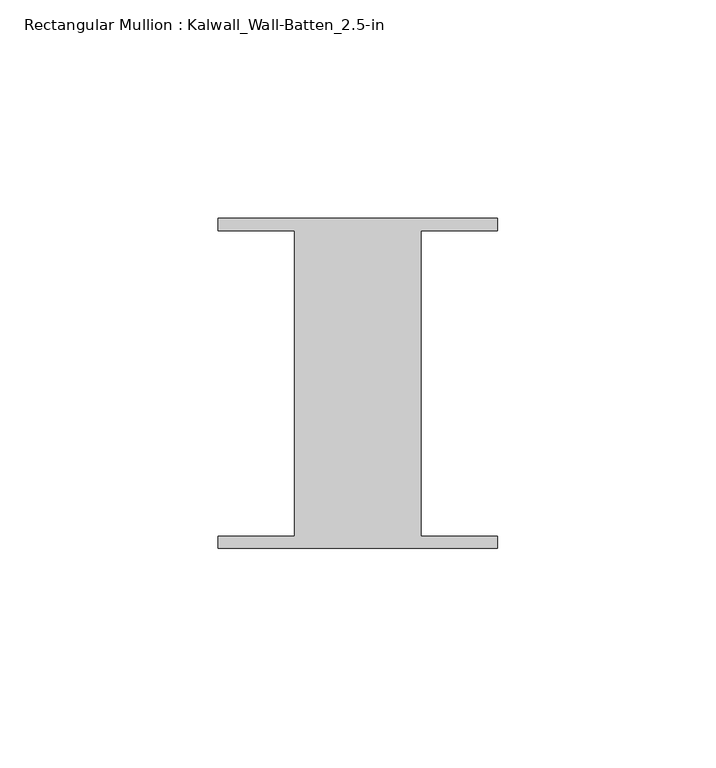
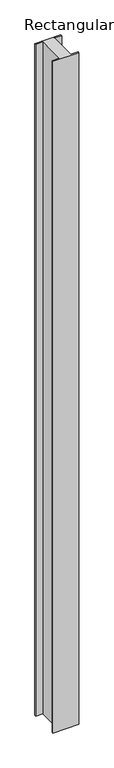
"""IFC4 building model written with IfcOpenShell, lengths in millimetres: member geometry, Rectangular Mullion : Kalwall_Wall-Batten_2.5-in."""

import ifcopenshell
import ifcopenshell.guid

model = None  # the IFC model being written
_history = None  # IfcOwnerHistory: only IFC2X3 demands one
_inside = {}  # id of a spatial element -> (the spatial element, [elements in it])
_under = {}  # id of a project, library or spatial element -> (it, [spatial elements below it])
_declared = {}  # id of a project -> (the project, [libraries it declares])
_typed = {}  # id of a type object -> (the type object, [elements of that type])
_made_of = {}  # id of a material, layer set ... -> (it, [elements and type objects made of it])


def new_model(schema):
    """Start an empty IFC model of exactly this schema.

    Asked for "IFC4X3", IfcOpenShell would pick the latest addendum, in which some entities
    have other attributes; the version numbers below select the first issue.
    IFC2X3 requires an IfcOwnerHistory on every rooted entity: one is made here for all.
    """
    global model, _history
    if schema == "IFC4X3":
        model = ifcopenshell.file(schema_version=(4, 3, 0, 0))
    else:
        model = ifcopenshell.file(schema=schema)
    _inside.clear()
    _under.clear()
    _declared.clear()
    _typed.clear()
    _made_of.clear()
    _history = None
    if model.schema == "IFC2X3":
        org = make("IfcOrganization", Name="unknown")
        user = make(
            "IfcPersonAndOrganization",
            ThePerson=make("IfcPerson", FamilyName="unknown"),
            TheOrganization=org,
        )
        app = make(
            "IfcApplication",
            ApplicationDeveloper=org,
            Version="unknown",
            ApplicationFullName="unknown",
            ApplicationIdentifier="unknown",
        )
        _history = make(
            "IfcOwnerHistory",
            OwningUser=user,
            OwningApplication=app,
            ChangeAction="ADDED",
            CreationDate=0,
        )
    return model


def make(cls, **values):
    """One entity of the class cls with the attributes given. An attribute that is None is left unset."""
    return model.create_entity(
        cls, **{name: value for name, value in values.items() if value is not None}
    )


def rooted(cls, **values):
    """An entity with a GlobalId (a new one), such as an element, a storey or a relation."""
    return make(cls, GlobalId=ifcopenshell.guid.new(), OwnerHistory=_history, **values)


def si_unit(unit_type, name, prefix=None):
    """IfcSIUnit, for example si_unit("LENGTHUNIT", "METRE", prefix="MILLI")."""
    return make("IfcSIUnit", UnitType=unit_type, Prefix=prefix, Name=name)


def assignment(units):
    """IfcUnitAssignment: the units of a project."""
    return None if units is None else make("IfcUnitAssignment", Units=units)


def point(xyz):
    """IfcCartesianPoint."""
    return None if xyz is None else make("IfcCartesianPoint", Coordinates=xyz)


def direction(xyz):
    """IfcDirection."""
    return None if xyz is None else make("IfcDirection", DirectionRatios=xyz)


def frame(location, z_axis=None, x_axis=None):
    """IfcAxis2Placement3D, a coordinate frame: its origin and axes. An axis left out is left unset."""
    return make(
        "IfcAxis2Placement3D",
        Location=point(location),
        Axis=direction(z_axis),
        RefDirection=direction(x_axis),
    )


def origin():
    """The frame at (0, 0, 0) with its axes left unset."""
    return frame((0.0, 0.0, 0.0))


def place(relative_to, where):
    """IfcLocalPlacement: puts the frame where relative to a parent placement (None: the world)."""
    return make(
        "IfcLocalPlacement", PlacementRelTo=relative_to, RelativePlacement=where
    )


def context(
    kind, dimensions, precision=None, world=None, true_north=None, identifier=None
):
    """IfcGeometricRepresentationContext, for example the 3D "Model" context."""
    return make(
        "IfcGeometricRepresentationContext",
        ContextIdentifier=identifier,
        ContextType=kind,
        CoordinateSpaceDimension=dimensions,
        Precision=precision,
        WorldCoordinateSystem=world,
        TrueNorth=true_north,
    )


def project(units=None, contexts=None):
    """IfcProject with its units and contexts."""
    return rooted(
        "IfcProject",
        Name="project",
        RepresentationContexts=contexts,
        UnitsInContext=assignment(units),
    )


def spatial(cls, under=None, at=None, **own):
    """A site, building, storey or space (cls), placed at a placement, below another one or the project."""
    s = rooted(cls, ObjectPlacement=at, **own)
    if under is not None:
        _under.setdefault(under.id(), (under, []))[1].append(s)
    return s


def polyline(points):
    """IfcPolyline through the points."""
    return make("IfcPolyline", Points=[point(p) for p in points])


def outline(outer, holes=None, kind="AREA"):
    """IfcArbitraryClosedProfileDef: a profile drawn as a closed curve; with holes, ...WithVoids."""
    if holes is None:
        return make("IfcArbitraryClosedProfileDef", ProfileType=kind, OuterCurve=outer)
    return make(
        "IfcArbitraryProfileDefWithVoids",
        ProfileType=kind,
        OuterCurve=outer,
        InnerCurves=holes,
    )


def extrude(swept, where, along, depth):
    """IfcExtrudedAreaSolid: the profile swept, set in the frame where, extruded along a direction by depth."""
    return make(
        "IfcExtrudedAreaSolid",
        SweptArea=swept,
        Position=where,
        ExtrudedDirection=direction(along),
        Depth=depth,
    )


def shape(context_of_items, identifier, shape_type, items):
    """IfcShapeRepresentation: the items that make up one representation, for example the "Body"."""
    return make(
        "IfcShapeRepresentation",
        ContextOfItems=context_of_items,
        RepresentationIdentifier=identifier,
        RepresentationType=shape_type,
        Items=items,
    )


def source(mapping_origin, context_of_items, identifier, shape_type, items):
    """IfcRepresentationMap: a shape defined once, which mapped items show again and again."""
    return make(
        "IfcRepresentationMap",
        MappingOrigin=mapping_origin,
        MappedRepresentation=shape(context_of_items, identifier, shape_type, items),
    )


def transform(
    local_origin,
    x_axis=None,
    y_axis=None,
    z_axis=None,
    scale=None,
    scale2=None,
    scale3=None,
    uniform=True,
):
    """IfcCartesianTransformationOperator3D, or its non-uniform kind. x_axis, y_axis, z_axis: its Axis1, 2, 3."""
    if uniform:
        return make(
            "IfcCartesianTransformationOperator3D",
            Axis1=direction(x_axis),
            Axis2=direction(y_axis),
            LocalOrigin=point(local_origin),
            Scale=scale,
            Axis3=direction(z_axis),
        )
    return make(
        "IfcCartesianTransformationOperator3DnonUniform",
        Axis1=direction(x_axis),
        Axis2=direction(y_axis),
        LocalOrigin=point(local_origin),
        Scale=scale,
        Axis3=direction(z_axis),
        Scale2=scale2,
        Scale3=scale3,
    )


def mapped(mapping_source, mapping_target):
    """IfcMappedItem: shows the shape of a source again, moved by a transform."""
    return make(
        "IfcMappedItem", MappingSource=mapping_source, MappingTarget=mapping_target
    )


def made_of(thing, what):
    """Note that an element or type object is made of a material, layer set ...; save() writes the relation."""
    if what is not None:
        _made_of.setdefault(what.id(), (what, []))[1].append(thing)
    return thing


def element(
    cls,
    number,
    at=None,
    inside=None,
    cuts=None,
    type_object=None,
    material=None,
    context=None,
    identifier="Body",
    shape_type=None,
    held_by="IfcProductDefinitionShape",
    body=None,
    shapes=None,
    **own,
):
    """One element of the class cls, such as IfcWall. Its Tag is "e" and its number.

    at: its placement. inside: the storey or other place that contains it. cuts: it is an
    opening in that element (IfcRelVoidsElement). A single representation is given by context,
    identifier, shape_type and body (its items); several are given by shapes. held_by: the class
    of the entity that holds the representations. save() writes the other relations.
    """
    e = rooted(cls, Tag="e%d" % number, ObjectPlacement=at, **own)
    if body is not None:
        shapes = [shape(context, identifier, shape_type, body)]
    if shapes is not None:
        e.Representation = make(held_by, Representations=shapes)
    if inside is not None:
        _inside.setdefault(inside.id(), (inside, []))[1].append(e)
    if cuts is not None:
        rooted(
            "IfcRelVoidsElement", RelatingBuildingElement=cuts, RelatedOpeningElement=e
        )
    if type_object is not None:
        _typed.setdefault(type_object.id(), (type_object, []))[1].append(e)
    return made_of(e, material)


def aggregate(whole, parts):
    """IfcRelAggregates: a whole, such as a stair, and the parts it consists of."""
    return rooted("IfcRelAggregates", RelatingObject=whole, RelatedObjects=parts)


def save(model, path):
    """Write the relations noted so far, then the file.

    IfcRelAggregates (storeys below a building ...), IfcRelContainedInSpatialStructure (elements
    in a storey), IfcRelDefinesByType, IfcRelAssociatesMaterial and IfcRelDeclares: one each for
    every whole, place, type object, material and project.
    """
    for whole, parts in _under.values():
        aggregate(whole, parts)
    for where, things in _inside.values():
        rooted(
            "IfcRelContainedInSpatialStructure",
            RelatedElements=things,
            RelatingStructure=where,
        )
    for kind, things in _typed.values():
        rooted("IfcRelDefinesByType", RelatedObjects=things, RelatingType=kind)
    for what, things in _made_of.values():
        rooted("IfcRelAssociatesMaterial", RelatedObjects=things, RelatingMaterial=what)
    for by, libraries in _declared.values():
        rooted("IfcRelDeclares", RelatingContext=by, RelatedDefinitions=libraries)
    model.write(path)


def rectangular_mullion_kalwall_wall_batten_2_5_in_9da89ae1(model_context):
    return source(origin(), model_context, "Body", "SweptSolid", [
        extrude(outline(polyline([(-32.0, -36.524), (-32.0, -33.73), (-14.5, -33.73), (-14.5, 36.27), (-32.0, 36.27), (-32.0, 39.064), (32.0, 39.064), (32.0, 36.27), (14.5, 36.27), (14.5, -33.73), (32.0, -33.73), (32.0, -36.524), (-32.0, -36.524)])), frame((0.0, 0.0, -1744.625), z_axis=(0.0, 0.0, 1.0), x_axis=(1.0, 0.0, 0.0)), (0.0, 0.0, 1.0), 1744.625),
    ])


if __name__ == "__main__":
    model = new_model("IFC4")
    model_context = context("Model", 3, world=origin())
    ifc_project = project(units=[si_unit("LENGTHUNIT", "METRE", prefix="MILLI")], contexts=[model_context])
    site = spatial("IfcSite", under=ifc_project)
    building = spatial("IfcBuilding", under=site)
    placement = place(None, origin())
    rectangular_mullion_kalwall_wall_batten_2_5_in_shape = rectangular_mullion_kalwall_wall_batten_2_5_in_9da89ae1(model_context)
    element("IfcMember", 1, ObjectType="Rectangular Mullion : Kalwall_Wall-Batten_2.5-in", at=placement, inside=building, context=model_context, shape_type="MappedRepresentation", body=[
        mapped(rectangular_mullion_kalwall_wall_batten_2_5_in_shape, transform((0.0, 0.0, 0.0), x_axis=(1.0, 0.0, 0.0), y_axis=(0.0, 1.0, 0.0), z_axis=(0.0, 0.0, 1.0))),
    ])
    save(model, "model.ifc")
